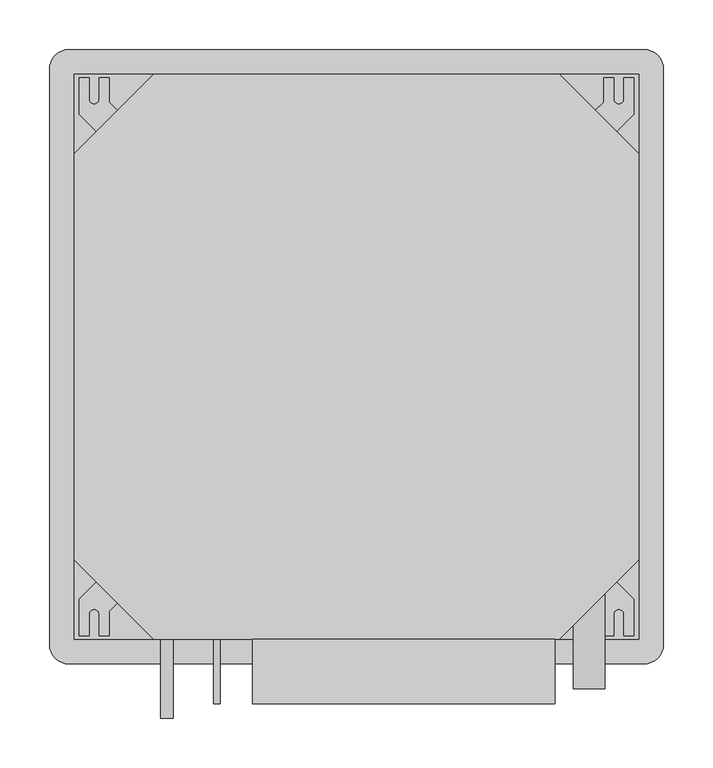
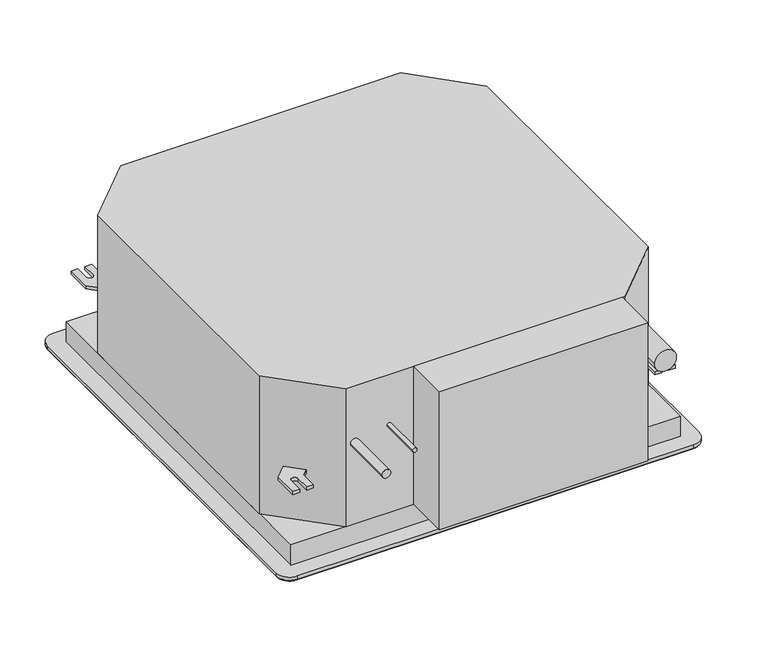
"""IFC4 building model written with IfcOpenShell, lengths in millimetres: proxy geometry."""

import ifcopenshell
import ifcopenshell.guid

model = None  # the IFC model being written
_history = None  # IfcOwnerHistory: only IFC2X3 demands one
_inside = {}  # id of a spatial element -> (the spatial element, [elements in it])
_under = {}  # id of a project, library or spatial element -> (it, [spatial elements below it])
_declared = {}  # id of a project -> (the project, [libraries it declares])
_typed = {}  # id of a type object -> (the type object, [elements of that type])
_made_of = {}  # id of a material, layer set ... -> (it, [elements and type objects made of it])


def new_model(schema):
    """Start an empty IFC model of exactly this schema.

    Asked for "IFC4X3", IfcOpenShell would pick the latest addendum, in which some entities
    have other attributes; the version numbers below select the first issue.
    IFC2X3 requires an IfcOwnerHistory on every rooted entity: one is made here for all.
    """
    global model, _history
    if schema == "IFC4X3":
        model = ifcopenshell.file(schema_version=(4, 3, 0, 0))
    else:
        model = ifcopenshell.file(schema=schema)
    _inside.clear()
    _under.clear()
    _declared.clear()
    _typed.clear()
    _made_of.clear()
    _history = None
    if model.schema == "IFC2X3":
        org = make("IfcOrganization", Name="unknown")
        user = make(
            "IfcPersonAndOrganization",
            ThePerson=make("IfcPerson", FamilyName="unknown"),
            TheOrganization=org,
        )
        app = make(
            "IfcApplication",
            ApplicationDeveloper=org,
            Version="unknown",
            ApplicationFullName="unknown",
            ApplicationIdentifier="unknown",
        )
        _history = make(
            "IfcOwnerHistory",
            OwningUser=user,
            OwningApplication=app,
            ChangeAction="ADDED",
            CreationDate=0,
        )
    return model


def make(cls, **values):
    """One entity of the class cls with the attributes given. An attribute that is None is left unset."""
    return model.create_entity(
        cls, **{name: value for name, value in values.items() if value is not None}
    )


def rooted(cls, **values):
    """An entity with a GlobalId (a new one), such as an element, a storey or a relation."""
    return make(cls, GlobalId=ifcopenshell.guid.new(), OwnerHistory=_history, **values)


def si_unit(unit_type, name, prefix=None):
    """IfcSIUnit, for example si_unit("LENGTHUNIT", "METRE", prefix="MILLI")."""
    return make("IfcSIUnit", UnitType=unit_type, Prefix=prefix, Name=name)


def assignment(units):
    """IfcUnitAssignment: the units of a project."""
    return None if units is None else make("IfcUnitAssignment", Units=units)


def point(xyz):
    """IfcCartesianPoint."""
    return None if xyz is None else make("IfcCartesianPoint", Coordinates=xyz)


def direction(xyz):
    """IfcDirection."""
    return None if xyz is None else make("IfcDirection", DirectionRatios=xyz)


def frame(location, z_axis=None, x_axis=None):
    """IfcAxis2Placement3D, a coordinate frame: its origin and axes. An axis left out is left unset."""
    return make(
        "IfcAxis2Placement3D",
        Location=point(location),
        Axis=direction(z_axis),
        RefDirection=direction(x_axis),
    )


def frame_2d(location, x_axis=None):
    """IfcAxis2Placement2D, a coordinate frame in the plane: its origin and x axis."""
    return make(
        "IfcAxis2Placement2D", Location=point(location), RefDirection=direction(x_axis)
    )


def origin():
    """The frame at (0, 0, 0) with its axes left unset."""
    return frame((0.0, 0.0, 0.0))


def origin_with_axes():
    """The frame at (0, 0, 0) with the z axis (0, 0, 1) and the x axis (1, 0, 0) written out."""
    return frame((0.0, 0.0, 0.0), z_axis=(0.0, 0.0, 1.0), x_axis=(1.0, 0.0, 0.0))


def place(relative_to, where):
    """IfcLocalPlacement: puts the frame where relative to a parent placement (None: the world)."""
    return make(
        "IfcLocalPlacement", PlacementRelTo=relative_to, RelativePlacement=where
    )


def context(
    kind, dimensions, precision=None, world=None, true_north=None, identifier=None
):
    """IfcGeometricRepresentationContext, for example the 3D "Model" context."""
    return make(
        "IfcGeometricRepresentationContext",
        ContextIdentifier=identifier,
        ContextType=kind,
        CoordinateSpaceDimension=dimensions,
        Precision=precision,
        WorldCoordinateSystem=world,
        TrueNorth=true_north,
    )


def project(units=None, contexts=None):
    """IfcProject with its units and contexts."""
    return rooted(
        "IfcProject",
        Name="project",
        RepresentationContexts=contexts,
        UnitsInContext=assignment(units),
    )


def spatial(cls, under=None, at=None, **own):
    """A site, building, storey or space (cls), placed at a placement, below another one or the project."""
    s = rooted(cls, ObjectPlacement=at, **own)
    if under is not None:
        _under.setdefault(under.id(), (under, []))[1].append(s)
    return s


def polyline(points):
    """IfcPolyline through the points."""
    return make("IfcPolyline", Points=[point(p) for p in points])


def circle_curve(where, radius):
    """IfcCircle in the frame where."""
    return make("IfcCircle", Position=where, Radius=radius)


def ellipse_curve(where, semi_axis1, semi_axis2):
    """IfcEllipse in the frame where."""
    return make(
        "IfcEllipse", Position=where, SemiAxis1=semi_axis1, SemiAxis2=semi_axis2
    )


def trimmed(basis, trim1, trim2, sense, master):
    """IfcTrimmedCurve: the piece of a basis curve between two trims."""
    return make(
        "IfcTrimmedCurve",
        BasisCurve=basis,
        Trim1=trim1,
        Trim2=trim2,
        SenseAgreement=sense,
        MasterRepresentation=master,
    )


def segment(curve, same_sense, transition):
    """IfcCompositeCurveSegment."""
    return make(
        "IfcCompositeCurveSegment",
        Transition=transition,
        SameSense=same_sense,
        ParentCurve=curve,
    )


def composite_curve(segments, self_intersect=None):
    """IfcCompositeCurve: segments joined end to end."""
    return make("IfcCompositeCurve", Segments=segments, SelfIntersect=self_intersect)


def outline(outer, holes=None, kind="AREA"):
    """IfcArbitraryClosedProfileDef: a profile drawn as a closed curve; with holes, ...WithVoids."""
    if holes is None:
        return make("IfcArbitraryClosedProfileDef", ProfileType=kind, OuterCurve=outer)
    return make(
        "IfcArbitraryProfileDefWithVoids",
        ProfileType=kind,
        OuterCurve=outer,
        InnerCurves=holes,
    )


def extrude(swept, where, along, depth):
    """IfcExtrudedAreaSolid: the profile swept, set in the frame where, extruded along a direction by depth."""
    return make(
        "IfcExtrudedAreaSolid",
        SweptArea=swept,
        Position=where,
        ExtrudedDirection=direction(along),
        Depth=depth,
    )


def faces_of(points, faces, orient=None, outer=None):
    """IfcFace entities. A face is a list of loops; a loop is a list of indices into points, from 0.

    orient and outer hold one flag for each loop. By default every Orientation is true, the
    first loop of a face is its IfcFaceOuterBound and the others are IfcFaceBound.
    """
    made = []
    for i, loops in enumerate(faces):
        bounds = []
        for j, loop in enumerate(loops):
            is_outer = j == 0 if outer is None else outer[i][j]
            bounds.append(
                make(
                    "IfcFaceOuterBound" if is_outer else "IfcFaceBound",
                    Bound=make("IfcPolyLoop", Polygon=[points[k] for k in loop]),
                    Orientation=True if orient is None else orient[i][j],
                )
            )
        made.append(make("IfcFace", Bounds=bounds))
    return made


def faceted_brep(points, faces, orient=None, outer=None, voids=None):
    """IfcFacetedBrep: a solid bounded by flat faces; with voids (closed shells), ...WithVoids."""
    shared = [point(p) for p in points]
    hull = make("IfcClosedShell", CfsFaces=faces_of(shared, faces, orient, outer))
    if voids is None:
        return make("IfcFacetedBrep", Outer=hull)
    return make(
        "IfcFacetedBrepWithVoids",
        Outer=hull,
        Voids=[
            make(cls, CfsFaces=faces_of(shared, fs, o, b)) for cls, fs, o, b in voids
        ],
    )


def shape(context_of_items, identifier, shape_type, items):
    """IfcShapeRepresentation: the items that make up one representation, for example the "Body"."""
    return make(
        "IfcShapeRepresentation",
        ContextOfItems=context_of_items,
        RepresentationIdentifier=identifier,
        RepresentationType=shape_type,
        Items=items,
    )


def source(mapping_origin, context_of_items, identifier, shape_type, items):
    """IfcRepresentationMap: a shape defined once, which mapped items show again and again."""
    return make(
        "IfcRepresentationMap",
        MappingOrigin=mapping_origin,
        MappedRepresentation=shape(context_of_items, identifier, shape_type, items),
    )


def transform(
    local_origin,
    x_axis=None,
    y_axis=None,
    z_axis=None,
    scale=None,
    scale2=None,
    scale3=None,
    uniform=True,
):
    """IfcCartesianTransformationOperator3D, or its non-uniform kind. x_axis, y_axis, z_axis: its Axis1, 2, 3."""
    if uniform:
        return make(
            "IfcCartesianTransformationOperator3D",
            Axis1=direction(x_axis),
            Axis2=direction(y_axis),
            LocalOrigin=point(local_origin),
            Scale=scale,
            Axis3=direction(z_axis),
        )
    return make(
        "IfcCartesianTransformationOperator3DnonUniform",
        Axis1=direction(x_axis),
        Axis2=direction(y_axis),
        LocalOrigin=point(local_origin),
        Scale=scale,
        Axis3=direction(z_axis),
        Scale2=scale2,
        Scale3=scale3,
    )


def mapped(mapping_source, mapping_target):
    """IfcMappedItem: shows the shape of a source again, moved by a transform."""
    return make(
        "IfcMappedItem", MappingSource=mapping_source, MappingTarget=mapping_target
    )


def made_of(thing, what):
    """Note that an element or type object is made of a material, layer set ...; save() writes the relation."""
    if what is not None:
        _made_of.setdefault(what.id(), (what, []))[1].append(thing)
    return thing


def element(
    cls,
    number,
    at=None,
    inside=None,
    cuts=None,
    type_object=None,
    material=None,
    context=None,
    identifier="Body",
    shape_type=None,
    held_by="IfcProductDefinitionShape",
    body=None,
    shapes=None,
    **own,
):
    """One element of the class cls, such as IfcWall. Its Tag is "e" and its number.

    at: its placement. inside: the storey or other place that contains it. cuts: it is an
    opening in that element (IfcRelVoidsElement). A single representation is given by context,
    identifier, shape_type and body (its items); several are given by shapes. held_by: the class
    of the entity that holds the representations. save() writes the other relations.
    """
    e = rooted(cls, Tag="e%d" % number, ObjectPlacement=at, **own)
    if body is not None:
        shapes = [shape(context, identifier, shape_type, body)]
    if shapes is not None:
        e.Representation = make(held_by, Representations=shapes)
    if inside is not None:
        _inside.setdefault(inside.id(), (inside, []))[1].append(e)
    if cuts is not None:
        rooted(
            "IfcRelVoidsElement", RelatingBuildingElement=cuts, RelatedOpeningElement=e
        )
    if type_object is not None:
        _typed.setdefault(type_object.id(), (type_object, []))[1].append(e)
    return made_of(e, material)


def aggregate(whole, parts):
    """IfcRelAggregates: a whole, such as a stair, and the parts it consists of."""
    return rooted("IfcRelAggregates", RelatingObject=whole, RelatedObjects=parts)


def save(model, path):
    """Write the relations noted so far, then the file.

    IfcRelAggregates (storeys below a building ...), IfcRelContainedInSpatialStructure (elements
    in a storey), IfcRelDefinesByType, IfcRelAssociatesMaterial and IfcRelDeclares: one each for
    every whole, place, type object, material and project.
    """
    for whole, parts in _under.values():
        aggregate(whole, parts)
    for where, things in _inside.values():
        rooted(
            "IfcRelContainedInSpatialStructure",
            RelatedElements=things,
            RelatingStructure=where,
        )
    for kind, things in _typed.values():
        rooted("IfcRelDefinesByType", RelatedObjects=things, RelatingType=kind)
    for what, things in _made_of.values():
        rooted("IfcRelAssociatesMaterial", RelatedObjects=things, RelatingMaterial=what)
    for by, libraries in _declared.values():
        rooted("IfcRelDeclares", RelatingContext=by, RelatedDefinitions=libraries)
    model.write(path)


def plane_surface(at):
    """IfcPlane: the flat surface through the origin of the frame at, square to its z axis."""
    return make("IfcPlane", Position=at)


def cylinder_surface(at, radius):
    """IfcCylindricalSurface: all points at the distance radius from the z axis of the frame at."""
    return make("IfcCylindricalSurface", Position=at, Radius=radius)


def revolved_surface(curve, axis_point, axis_direction):
    """IfcSurfaceOfRevolution: the curve turned about the line through axis_point along axis_direction."""
    return make(
        "IfcSurfaceOfRevolution",
        SweptCurve=make("IfcArbitraryOpenProfileDef", ProfileType="CURVE", Curve=curve),
        AxisPosition=make("IfcAxis1Placement", Location=point(axis_point), Axis=direction(axis_direction)),
    )


def extruded_surface(curve, direction_of_extrusion, depth):
    """IfcSurfaceOfLinearExtrusion: the curve pushed along a direction by depth."""
    return make(
        "IfcSurfaceOfLinearExtrusion",
        SweptCurve=make("IfcArbitraryOpenProfileDef", ProfileType="CURVE", Curve=curve),
        ExtrudedDirection=direction(direction_of_extrusion),
        Depth=depth,
    )


def advanced_brep(points, edges, surfaces, faces):
    """IfcAdvancedBrep: a solid bounded by faces that lie on surfaces and meet in shared edges.

    An edge is (start, end): straight between two places in points (the first is 0);
    or (start, end, curve); or (start, end, curve, False) where it runs against its curve.
    A face is (place in surfaces, loops), or (place, loops, False) where it looks against
    its surface's normal. A loop lists edges by number (the first is 1), with a minus sign
    where the edge is run from its end to its start. The first loop is the outer one.
    """
    corners = [point(p) for p in points]
    vertices = [make("IfcVertexPoint", VertexGeometry=c) for c in corners]
    made = []
    for start, end, *more in edges:
        made.append(
            make(
                "IfcEdgeCurve",
                EdgeStart=vertices[start],
                EdgeEnd=vertices[end],
                EdgeGeometry=more[0] if more else make("IfcPolyline", Points=[corners[start], corners[end]]),
                SameSense=more[1] if len(more) > 1 else True,
            )
        )
    hull = []
    for where, loops, *sense in faces:
        bounds = []
        for j, loop in enumerate(loops):
            ring = [make("IfcOrientedEdge", EdgeElement=made[abs(k) - 1], Orientation=k > 0) for k in loop]
            bounds.append(
                make(
                    "IfcFaceOuterBound" if j == 0 else "IfcFaceBound",
                    Bound=make("IfcEdgeLoop", EdgeList=ring),
                    Orientation=True,
                )
            )
        hull.append(make("IfcAdvancedFace", Bounds=bounds, FaceSurface=surfaces[where], SameSense=sense[0] if sense else True))
    return make("IfcAdvancedBrep", Outer=make("IfcClosedShell", CfsFaces=hull))


def mechanical_equipment_c682018f(model_context):
    return source(origin(), model_context, "Body", "SolidModel", [
        extrude(outline(composite_curve([segment(trimmed(circle_curve(frame_2d((165.0, 235.0)), 16.0), [point((165.0, 219.0))], [point((165.0, 251.0))], False, "CARTESIAN"), True, "CONTINUOUS"), segment(trimmed(circle_curve(frame_2d((165.0, 235.0)), 16.0), [point((165.0, 251.0))], [point((165.0, 219.0))], False, "CARTESIAN"), True, "CONTINUOUS")], self_intersect=False)), frame((0.0, -335.0, 0.0), z_axis=(0.0, 1.0, 0.0), x_axis=(0.0, 0.0, 1.0)), (0.0, 0.0, 1.0), 335.0),
        extrude(outline(polyline([(-105.0, -350.0), (-105.0, -285.0), (200.5, -285.0), (200.5, -350.0), (-105.0, -350.0)])), frame((0.0, 0.0, 31.0), z_axis=(0.0, 0.0, 1.0), x_axis=(1.0, 0.0, 0.0)), (0.0, 0.0, 1.0), 214.0),
        extrude(outline(composite_curve([segment(trimmed(circle_curve(frame_2d((157.0, -191.5)), 6.35), [point((157.0, -197.85))], [point((157.0, -185.15))], False, "CARTESIAN"), True, "CONTINUOUS"), segment(trimmed(circle_curve(frame_2d((157.0, -191.5)), 6.35), [point((157.0, -185.15))], [point((157.0, -197.85))], False, "CARTESIAN"), True, "CONTINUOUS")], self_intersect=False)), frame((0.0, -365.0, 0.0), z_axis=(0.0, 1.0, 0.0), x_axis=(0.0, 0.0, 1.0)), (0.0, 0.0, 1.0), 80.0),
        extrude(outline(composite_curve([segment(trimmed(circle_curve(frame_2d((167.0, -141.0)), 3.175), [point((167.0, -144.175))], [point((167.0, -137.825))], False, "CARTESIAN"), True, "CONTINUOUS"), segment(trimmed(circle_curve(frame_2d((167.0, -141.0)), 3.175), [point((167.0, -137.825))], [point((167.0, -144.175))], False, "CARTESIAN"), True, "CONTINUOUS")], self_intersect=False)), frame((0.0, -350.0, 0.0), z_axis=(0.0, 1.0, 0.0), x_axis=(0.0, 0.0, 1.0)), (0.0, 0.0, 1.0), 65.0),
        extrude(outline(composite_curve([segment(trimmed(circle_curve(frame_2d((265.0, -260.0)), 5.0), [point((270.0, -260.0))], [point((260.0, -260.0))], True, "CARTESIAN"), True, "CONTINUOUS"), segment(polyline([(260.0, -260.0), (260.0, -281.4754736), (250.0, -281.4754736), (250.0, -257.0710678), (241.4644661, -248.5355339), (262.6776695, -227.3223305), (280.0, -244.6446609), (280.0, -281.4754736), (270.0, -281.4754736), (270.0, -260.0)]), True, "CONTINUOUS")], self_intersect=False)), frame((0.0, 0.0, 105.0), z_axis=(0.0, 0.0, 1.0), x_axis=(1.0, 0.0, 0.0)), (0.0, 0.0, 1.0), 5.0),
        extrude(outline(composite_curve([segment(polyline([(-270.0, -260.0), (-270.0, -281.4754736), (-280.0, -281.4754736), (-280.0, -244.6446609), (-262.6776695, -227.3223305), (-241.4644661, -248.5355339), (-250.0, -257.0710678), (-250.0, -281.4754736), (-260.0, -281.4754736), (-260.0, -260.0)]), True, "CONTINUOUS"), segment(trimmed(circle_curve(frame_2d((-265.0, -260.0)), 5.0), [point((-260.0, -260.0))], [point((-270.0, -260.0))], True, "CARTESIAN"), True, "CONTINUOUS")], self_intersect=False)), frame((0.0, 0.0, 105.0), z_axis=(0.0, 0.0, 1.0), x_axis=(1.0, 0.0, 0.0)), (0.0, 0.0, 1.0), 5.0),
        extrude(outline(composite_curve([segment(polyline([(270.0, 260.0), (270.0, 281.4754736), (280.0, 281.4754736), (280.0, 244.6446609), (262.6776695, 227.3223305), (241.4644661, 248.5355339), (250.0, 257.0710678), (250.0, 281.4754736), (260.0, 281.4754736), (260.0, 260.0)]), True, "CONTINUOUS"), segment(trimmed(circle_curve(frame_2d((265.0, 260.0)), 5.0), [point((260.0, 260.0))], [point((270.0, 260.0))], True, "CARTESIAN"), True, "CONTINUOUS")], self_intersect=False)), frame((0.0, 0.0, 105.0), z_axis=(0.0, 0.0, 1.0), x_axis=(1.0, 0.0, 0.0)), (0.0, 0.0, 1.0), 5.0),
        extrude(outline(composite_curve([segment(trimmed(circle_curve(frame_2d((-265.0, 260.0)), 5.0), [point((-270.0, 260.0))], [point((-260.0, 260.0))], True, "CARTESIAN"), True, "CONTINUOUS"), segment(polyline([(-260.0, 260.0), (-260.0, 281.4754736), (-250.0, 281.4754736), (-250.0, 257.0710678), (-241.4644661, 248.5355339), (-262.6776695, 227.3223305), (-280.0, 244.6446609), (-280.0, 281.4754736), (-270.0, 281.4754736), (-270.0, 260.0)]), True, "CONTINUOUS")], self_intersect=False)), frame((0.0, 0.0, 105.0), z_axis=(0.0, 0.0, 1.0), x_axis=(1.0, 0.0, 0.0)), (0.0, 0.0, 1.0), 5.0),
        extrude(outline(polyline([(205.0, 285.0), (285.0, 205.0), (285.0, -205.0), (205.0, -285.0), (-205.0, -285.0), (-285.0, -205.0), (-285.0, 205.0), (-205.0, 285.0), (205.0, 285.0)])), frame((0.0, 0.0, 31.0), z_axis=(0.0, 0.0, 1.0), x_axis=(1.0, 0.0, 0.0)), (0.0, 0.0, 1.0), 214.0),
        extrude(outline(polyline([(285.0, 285.0), (285.0, -285.0), (-285.0, -285.0), (-285.0, 285.0), (285.0, 285.0)])), origin_with_axes(), (0.0, 0.0, 1.0), 31.0),
        advanced_brep(
        [(290.0, 310.0, 0.0), (-290.0, 310.0, 0.0), (-310.0, 290.0, 0.0), (-310.0, -290.0, 0.0), (-290.0, -310.0, 0.0), (290.0, -310.0, 0.0), (310.0, -290.0, 0.0), (310.0, 290.0, 0.0), (168.8675135, 260.0, 0.0), (140.0, 210.0, 0.0), (-140.0, 210.0, 0.0), (-168.8675135, 260.0, 0.0), (-140.0, -210.0, 0.0), (140.0, -210.0, 0.0), (168.8675135, -260.0, 0.0), (-168.8675135, -260.0, 0.0), (260.0, -168.8675135, 0.0), (210.0, -140.0, 0.0), (210.0, 140.0, 0.0), (260.0, 168.8675135, 0.0), (-210.0, 140.0, 0.0), (-210.0, -140.0, 0.0), (-260.0, -168.8675135, 0.0), (-260.0, 168.8675135, 0.0), (295.0, -290.0, -10.0), (290.0, -295.0, -10.0), (-290.0, -295.0, -10.0), (-295.0, -290.0, -10.0), (-295.0, 290.0, -10.0), (-290.0, 295.0, -10.0), (290.0, 295.0, -10.0), (295.0, 290.0, -10.0), (140.0, 210.0, -10.0), (168.8675135, 260.0, -10.0), (-168.8675135, 260.0, -10.0), (-140.0, 210.0, -10.0), (140.0, -210.0, -10.0), (-140.0, -210.0, -10.0), (-168.8675135, -260.0, -10.0), (168.8675135, -260.0, -10.0), (210.0, -140.0, -10.0), (260.0, -168.8675135, -10.0), (260.0, 168.8675135, -10.0), (210.0, 140.0, -10.0), (-210.0, -140.0, -10.0), (-210.0, 140.0, -10.0), (-260.0, 168.8675135, -10.0), (-260.0, -168.8675135, -10.0), (290.0, 310.0, -5.0), (-290.0, 310.0, -5.0), (-310.0, 290.0, -5.0), (-310.0, -290.0, -5.0), (-290.0, -310.0, -5.0), (290.0, -310.0, -5.0), (310.0, -290.0, -5.0), (310.0, 290.0, -5.0)],
        [
            (0, 1),
            (1, 2, circle_curve(frame((-290.0, 290.0, 0.0), z_axis=(0.0, 0.0, 1.0), x_axis=(1.0, 0.0, 0.0)), 20.0)),
            (2, 3),
            (3, 4, circle_curve(frame((-290.0, -290.0, 0.0), z_axis=(0.0, 0.0, 1.0), x_axis=(1.0, 0.0, 0.0)), 20.0)),
            (4, 5),
            (5, 6, circle_curve(frame((290.0, -290.0, 0.0), z_axis=(0.0, 0.0, 1.0), x_axis=(1.0, 0.0, 0.0)), 20.0)),
            (6, 7),
            (7, 0, circle_curve(frame((290.0, 290.0, 0.0), z_axis=(0.0, 0.0, 1.0), x_axis=(1.0, 0.0, 0.0)), 20.0)),
            (8, 9),
            (9, 10),
            (10, 11),
            (11, 8),
            (12, 13),
            (13, 14),
            (14, 15),
            (15, 12),
            (16, 17),
            (17, 18),
            (18, 19),
            (19, 16),
            (20, 21),
            (21, 22),
            (22, 23),
            (23, 20),
            (24, 25, circle_curve(frame((290.0, -290.0, -10.0), z_axis=(0.0, 0.0, -1.0), x_axis=(1.0, 0.0, 0.0)), 5.0)),
            (25, 26),
            (26, 27, circle_curve(frame((-290.0, -290.0, -10.0), z_axis=(0.0, 0.0, -1.0), x_axis=(0.0, -1.0, 0.0)), 5.0)),
            (27, 28),
            (28, 29, circle_curve(frame((-290.0, 290.0, -10.0), z_axis=(0.0, 0.0, -1.0), x_axis=(-1.0, 0.0, 0.0)), 5.0)),
            (29, 30),
            (30, 31, circle_curve(frame((290.0, 290.0, -10.0), z_axis=(0.0, 0.0, -1.0), x_axis=(0.0, 1.0, 0.0)), 5.0)),
            (31, 24),
            (32, 33),
            (33, 34),
            (34, 35),
            (35, 32),
            (36, 37),
            (37, 38),
            (38, 39),
            (39, 36),
            (40, 41),
            (41, 42),
            (42, 43),
            (43, 40),
            (44, 45),
            (45, 46),
            (46, 47),
            (47, 44),
            (0, 48),
            (48, 49),
            (49, 1),
            (49, 50, circle_curve(frame((-290.0, 290.0, -5.0), z_axis=(0.0, 0.0, 1.0), x_axis=(1.0, 0.0, 0.0)), 20.0)),
            (50, 2),
            (50, 51),
            (51, 3),
            (51, 52, circle_curve(frame((-290.0, -290.0, -5.0), z_axis=(0.0, 0.0, 1.0), x_axis=(1.0, 0.0, 0.0)), 20.0)),
            (52, 4),
            (52, 53),
            (53, 5),
            (53, 54, circle_curve(frame((290.0, -290.0, -5.0), z_axis=(0.0, 0.0, 1.0), x_axis=(1.0, 0.0, 0.0)), 20.0)),
            (54, 6),
            (54, 55),
            (55, 7),
            (55, 48, circle_curve(frame((290.0, 290.0, -5.0), z_axis=(0.0, 0.0, 1.0), x_axis=(1.0, 0.0, 0.0)), 20.0)),
            (53, 25, ellipse_curve(frame((290.0, -295.0, -5.0), z_axis=(1.0, 0.0, 0.0), x_axis=(0.0, 1.0, 0.0)), 15.0, 5.0)),
            (24, 54, ellipse_curve(frame((295.0, -290.0, -5.0), z_axis=(0.0, -1.0, 0.0), x_axis=(-1.0, 0.0, 0.0)), 15.0, 5.0)),
            (52, 26, ellipse_curve(frame((-290.0, -295.0, -5.0), z_axis=(1.0, 0.0, 0.0), x_axis=(0.0, 1.0, 0.0)), 15.0, 5.0)),
            (51, 27, ellipse_curve(frame((-295.0, -290.0, -5.0), z_axis=(0.0, -1.0, 0.0), x_axis=(1.0, 0.0, 0.0)), 15.0, 5.0)),
            (50, 28, ellipse_curve(frame((-295.0, 290.0, -5.0), z_axis=(0.0, -1.0, 0.0), x_axis=(1.0, 0.0, 0.0)), 15.0, 5.0)),
            (49, 29, ellipse_curve(frame((-290.0, 295.0, -5.0), z_axis=(-1.0, 0.0, 0.0), x_axis=(0.0, -1.0, 0.0)), 15.0, 5.0)),
            (48, 30, ellipse_curve(frame((290.0, 295.0, -5.0), z_axis=(-1.0, 0.0, 0.0), x_axis=(0.0, -1.0, 0.0)), 15.0, 5.0)),
            (55, 31, ellipse_curve(frame((295.0, 290.0, -5.0), z_axis=(0.0, 1.0, 0.0), x_axis=(-1.0, 0.0, 0.0)), 15.0, 5.0)),
            (8, 33),
            (32, 9),
            (11, 34),
            (10, 35),
            (12, 37),
            (36, 13),
            (15, 38),
            (14, 39),
            (16, 41),
            (40, 17),
            (19, 42),
            (18, 43),
            (20, 45),
            (44, 21),
            (23, 46),
            (22, 47),
        ],
        [
            plane_surface(frame((-310.0, 310.0, 0.0), z_axis=(0.0, 0.0, 1.0), x_axis=(-1.0, 0.0, 0.0))),
            plane_surface(frame((-310.0, 310.0, -10.0), z_axis=(0.0, 0.0, -1.0), x_axis=(1.0, 0.0, 0.0))),
            plane_surface(frame((290.0, 310.0, 0.0), z_axis=(0.0, 1.0, 0.0), x_axis=(0.0, 0.0, -1.0))),
            cylinder_surface(frame((-290.0, 290.0, -10.0), z_axis=(0.0, 0.0, 1.0), x_axis=(1.0, 0.0, 0.0)), 20.0),
            plane_surface(frame((-310.0, 290.0, 0.0), z_axis=(-1.0, 0.0, 0.0), x_axis=(0.0, 0.0, -1.0))),
            cylinder_surface(frame((-290.0, -290.0, -10.0), z_axis=(0.0, 0.0, 1.0), x_axis=(1.0, 0.0, 0.0)), 20.0),
            plane_surface(frame((-290.0, -310.0, 0.0), z_axis=(0.0, -1.0, 0.0), x_axis=(0.0, 0.0, -1.0))),
            cylinder_surface(frame((290.0, -290.0, -10.0), z_axis=(0.0, 0.0, 1.0), x_axis=(1.0, 0.0, 0.0)), 20.0),
            plane_surface(frame((310.0, -290.0, 0.0), z_axis=(1.0, 0.0, 0.0), x_axis=(0.0, 0.0, -1.0))),
            cylinder_surface(frame((290.0, 290.0, -10.0), z_axis=(0.0, 0.0, 1.0), x_axis=(1.0, 0.0, 0.0)), 20.0),
            revolved_surface(trimmed(ellipse_curve(frame((295.0, -290.0, -5.0), z_axis=(0.0, 1.0, 0.0), x_axis=(-1.0, 0.0, 0.0)), 15.0, 5.0), [point((310.0, -290.0, -5.0))], [point((295.0, -290.0, -10.0))], True, "CARTESIAN"), (290.0, -290.0, -10.0), (0.0, 0.0, -1.0)),
            extruded_surface(trimmed(ellipse_curve(frame((290.0, -295.0, -5.0), z_axis=(-1.0, 0.0, 0.0), x_axis=(0.0, 1.0, 0.0)), 15.0, 5.0), [point((290.0, -295.0, -10.0))], [point((290.0, -310.0, -5.0))], True, "CARTESIAN"), (-580.0, 0.0, 0.0), 580.0),
            revolved_surface(trimmed(ellipse_curve(frame((-290.0, -295.0, -5.0), z_axis=(1.0, 0.0, 0.0), x_axis=(0.0, 1.0, 0.0)), 15.0, 5.0), [point((-290.0, -310.0, -5.0))], [point((-290.0, -295.0, -10.0))], True, "CARTESIAN"), (-290.0, -290.0, -10.0), (0.0, 0.0, -1.0)),
            extruded_surface(trimmed(ellipse_curve(frame((-295.0, -290.0, -5.0), z_axis=(0.0, 1.0, 0.0), x_axis=(1.0, 0.0, 0.0)), 15.0, 5.0), [point((-295.0, -290.0, -10.0))], [point((-310.0, -290.0, -5.0))], True, "CARTESIAN"), (0.0, 580.0, 0.0), 580.0),
            revolved_surface(trimmed(ellipse_curve(frame((-295.0, 290.0, -5.0), z_axis=(0.0, -1.0, 0.0), x_axis=(1.0, 0.0, 0.0)), 15.0, 5.0), [point((-310.0, 290.0, -5.0))], [point((-295.0, 290.0, -10.0))], True, "CARTESIAN"), (-290.0, 290.0, -10.0), (0.0, 0.0, -1.0)),
            extruded_surface(trimmed(ellipse_curve(frame((-290.0, 295.0, -5.0), z_axis=(1.0, 0.0, 0.0), x_axis=(0.0, -1.0, 0.0)), 15.0, 5.0), [point((-290.0, 295.0, -10.0))], [point((-290.0, 310.0, -5.0))], True, "CARTESIAN"), (580.0, 0.0, 0.0), 580.0),
            revolved_surface(trimmed(ellipse_curve(frame((290.0, 295.0, -5.0), z_axis=(-1.0, 0.0, 0.0), x_axis=(0.0, -1.0, 0.0)), 15.0, 5.0), [point((290.0, 310.0, -5.0))], [point((290.0, 295.0, -10.0))], True, "CARTESIAN"), (290.0, 290.0, -10.0), (0.0, 0.0, -1.0)),
            extruded_surface(trimmed(ellipse_curve(frame((295.0, 290.0, -5.0), z_axis=(0.0, -1.0, 0.0), x_axis=(-1.0, 0.0, 0.0)), 15.0, 5.0), [point((295.0, 290.0, -10.0))], [point((310.0, 290.0, -5.0))], True, "CARTESIAN"), (0.0, -580.0, 0.0), 580.0),
            plane_surface(frame((140.0, 210.0, 0.0), z_axis=(-0.8660254037844387, 0.49999999999999994, 0.0), x_axis=(0.0, 0.0, -1.0))),
            plane_surface(frame((168.8675135, 260.0, 0.0), z_axis=(0.0, -1.0, 0.0), x_axis=(0.0, 0.0, -1.0))),
            plane_surface(frame((-168.8675135, 260.0, 0.0), z_axis=(0.8660254037844355, 0.5000000000000054, 0.0), x_axis=(0.0, 0.0, -1.0))),
            plane_surface(frame((-140.0, 210.0, 0.0), z_axis=(0.0, 1.0, 0.0), x_axis=(0.0, 0.0, -1.0))),
            plane_surface(frame((140.0, -210.0, 0.0), z_axis=(0.0, -1.0, 0.0), x_axis=(0.0, 0.0, -1.0))),
            plane_surface(frame((-140.0, -210.0, 0.0), z_axis=(0.8660254037844386, -0.5000000000000001, 0.0), x_axis=(0.0, 0.0, -1.0))),
            plane_surface(frame((-168.8675135, -260.0, 0.0), z_axis=(0.0, 1.0, 0.0), x_axis=(0.0, 0.0, -1.0))),
            plane_surface(frame((168.8675135, -260.0, 0.0), z_axis=(-0.8660254037844362, -0.5000000000000046, 0.0), x_axis=(0.0, 0.0, -1.0))),
            plane_surface(frame((210.0, -140.0, 0.0), z_axis=(0.4999999999999967, 0.8660254037844405, 0.0), x_axis=(0.0, 0.0, -1.0))),
            plane_surface(frame((260.0, -168.8675135, 0.0), z_axis=(-1.0, 0.0, 0.0), x_axis=(0.0, 0.0, -1.0))),
            plane_surface(frame((260.0, 168.8675135, 0.0), z_axis=(0.5000000000000074, -0.8660254037844345, 0.0), x_axis=(0.0, 0.0, -1.0))),
            plane_surface(frame((210.0, 140.0, 0.0), z_axis=(1.0, 0.0, 0.0), x_axis=(0.0, 0.0, -1.0))),
            plane_surface(frame((-210.0, -140.0, 0.0), z_axis=(-1.0, 0.0, 0.0), x_axis=(0.0, 0.0, -1.0))),
            plane_surface(frame((-210.0, 140.0, 0.0), z_axis=(-0.4999999999999969, -0.8660254037844405, 0.0), x_axis=(0.0, 0.0, -1.0))),
            plane_surface(frame((-260.0, 168.8675135, 0.0), z_axis=(1.0, 0.0, 0.0), x_axis=(0.0, 0.0, -1.0))),
            plane_surface(frame((-260.0, -168.8675135, 0.0), z_axis=(-0.5000000000000077, 0.8660254037844343, 0.0), x_axis=(0.0, 0.0, -1.0))),
        ],
        [
            (0, [[1, 2, 3, 4, 5, 6, 7, 8], [9, 10, 11, 12], [13, 14, 15, 16], [17, 18, 19, 20], [21, 22, 23, 24]]),
            (1, [[25, 26, 27, 28, 29, 30, 31, 32], [33, 34, 35, 36], [37, 38, 39, 40], [41, 42, 43, 44], [45, 46, 47, 48]]),
            (2, [[-1, 49, 50, 51]]),
            (3, [[-2, -51, 52, 53]]),
            (4, [[-3, -53, 54, 55]]),
            (5, [[-4, -55, 56, 57]]),
            (6, [[-5, -57, 58, 59]]),
            (7, [[-6, -59, 60, 61]]),
            (8, [[-7, -61, 62, 63]]),
            (9, [[-8, -63, 64, -49]]),
            (10, [[65, -25, 66, -60]]),
            (11, [[-65, -58, 67, -26]]),
            (12, [[-67, -56, 68, -27]]),
            (13, [[-68, -54, 69, -28]]),
            (14, [[-69, -52, 70, -29]]),
            (15, [[-70, -50, 71, -30]]),
            (16, [[-71, -64, 72, -31]]),
            (17, [[-66, -32, -72, -62]]),
            (18, [[73, -33, 74, -9]]),
            (19, [[-73, -12, 75, -34]]),
            (20, [[-75, -11, 76, -35]]),
            (21, [[-74, -36, -76, -10]]),
            (22, [[77, -37, 78, -13]]),
            (23, [[-77, -16, 79, -38]]),
            (24, [[-79, -15, 80, -39]]),
            (25, [[-78, -40, -80, -14]]),
            (26, [[81, -41, 82, -17]]),
            (27, [[-81, -20, 83, -42]]),
            (28, [[-83, -19, 84, -43]]),
            (29, [[-82, -44, -84, -18]]),
            (30, [[85, -45, 86, -21]]),
            (31, [[-85, -24, 87, -46]]),
            (32, [[-87, -23, 88, -47]]),
            (33, [[-86, -48, -88, -22]]),
        ],
    ),
        faceted_brep([(160.2072594, 255.0, 0.0), (-160.2072594, 255.0, 0.0), (-137.1132487, 215.0, 0.0), (137.1132487, 215.0, 0.0), (-160.2072594, 255.0, -10.0), (160.2072594, 255.0, -10.0), (137.1132487, 215.0, -10.0), (-137.1132487, 215.0, -10.0)], [[[0, 1, 2, 3]], [[4, 5, 6, 7]], [[0, 5, 4, 1]], [[5, 0, 3, 6]], [[6, 3, 2, 7]], [[1, 4, 7, 2]]]),
        faceted_brep([(-137.1132487, -215.0, 0.0), (-160.2072594, -255.0, 0.0), (160.2072594, -255.0, 0.0), (137.1132487, -215.0, 0.0), (-160.2072594, -255.0, -10.0), (-137.1132487, -215.0, -10.0), (137.1132487, -215.0, -10.0), (160.2072594, -255.0, -10.0)], [[[0, 1, 2, 3]], [[4, 5, 6, 7]], [[0, 5, 4, 1]], [[5, 0, 3, 6]], [[6, 3, 2, 7]], [[1, 4, 7, 2]]]),
        faceted_brep([(255.0, -160.2072594, 0.0), (255.0, 160.2072594, 0.0), (215.0, 137.1132487, 0.0), (215.0, -137.1132487, 0.0), (255.0, 160.2072594, -10.0), (255.0, -160.2072594, -10.0), (215.0, -137.1132487, -10.0), (215.0, 137.1132487, -10.0)], [[[0, 1, 2, 3]], [[4, 5, 6, 7]], [[0, 5, 4, 1]], [[5, 0, 3, 6]], [[6, 3, 2, 7]], [[1, 4, 7, 2]]]),
        faceted_brep([(-215.0, 137.1132487, 0.0), (-255.0, 160.2072594, 0.0), (-255.0, -160.2072594, 0.0), (-215.0, -137.1132487, 0.0), (-255.0, 160.2072594, -10.0), (-215.0, 137.1132487, -10.0), (-215.0, -137.1132487, -10.0), (-255.0, -160.2072594, -10.0)], [[[0, 1, 2, 3]], [[4, 5, 6, 7]], [[0, 5, 4, 1]], [[5, 0, 3, 6]], [[6, 3, 2, 7]], [[1, 4, 7, 2]]]),
    ])


if __name__ == "__main__":
    model = new_model("IFC4")
    model_context = context("Model", 3, world=origin())
    ifc_project = project(units=[si_unit("LENGTHUNIT", "METRE", prefix="MILLI")], contexts=[model_context])
    site = spatial("IfcSite", under=ifc_project)
    building = spatial("IfcBuilding", under=site)
    placement = place(None, origin())
    mechanical_equipment_shape = mechanical_equipment_c682018f(model_context)
    element("IfcBuildingElementProxy", 1, Name="Mechanical Equipment", at=placement, inside=building, context=model_context, shape_type="MappedRepresentation", body=[
        mapped(mechanical_equipment_shape, transform((0.0, 0.0, 0.0), x_axis=(1.0, 0.0, 0.0), y_axis=(0.0, 1.0, 0.0), z_axis=(0.0, 0.0, 1.0))),
    ])
    save(model, "model.ifc")
